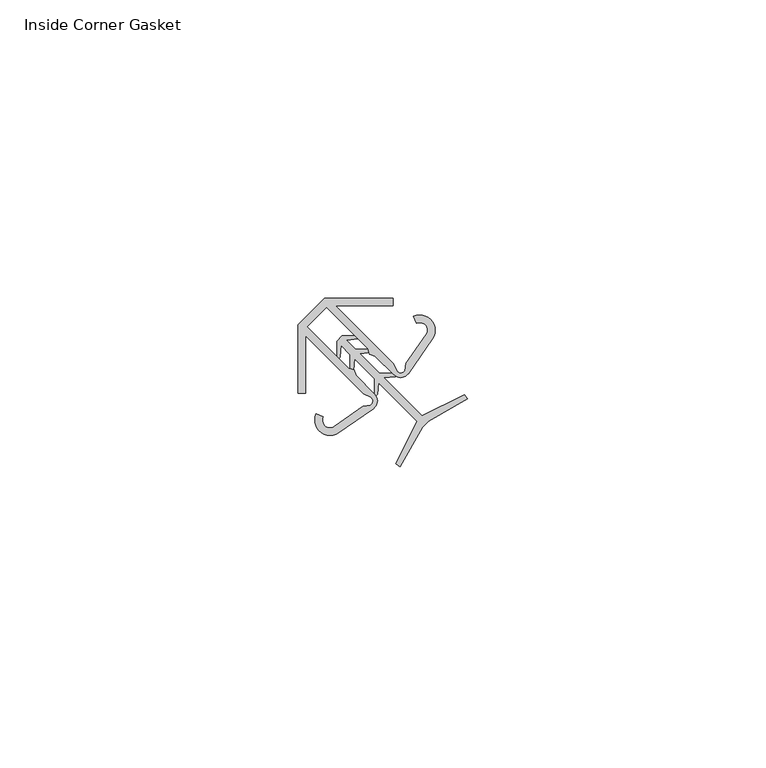
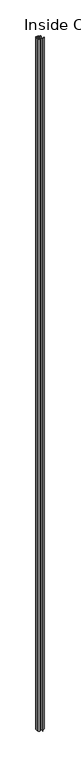
"""IFC4 building model written with IfcOpenShell, lengths in millimetres: furniture geometry, Inside Corner Gasket."""

from ifc_helpers import new_model, si_unit, point, frame_2d, origin, origin_with_axes, place, context, project, spatial, polyline, circle_curve, trimmed, segment, composite_curve, outline, extrude, source, transform, mapped, element, save


def inside_corner_gasket_a9b684a5(model_context):
    return source(origin(), model_context, "Body", "SweptSolid", [
        extrude(outline(composite_curve([segment(polyline([(-2.7813781, 15.4541762), (1.7087497, 19.944304), (13.1389976, 19.944304), (13.1389976, 18.6743041), (3.5175655, 18.6743041), (13.2821772, 8.9096921), (13.8093033, 7.6678607)]), True, "CONTINUOUS"), segment(trimmed(circle_curve(frame_2d((14.4381394, 8.2042713)), 0.8265416), [point((13.8093033, 7.6678607))], [point((15.1505687, 7.7852062))], True, "CARTESIAN"), True, "CONTINUOUS"), segment(polyline([(15.1505687, 7.7852062), (15.3672645, 8.9817893), (18.7393286, 13.8207015)]), True, "CONTINUOUS"), segment(trimmed(circle_curve(frame_2d((17.6821679, 14.5573989)), 1.2885309), [point((18.7393286, 13.8207015))], [point((17.1519386, 15.7317791))], True, "CARTESIAN"), True, "CONTINUOUS"), segment(polyline([(17.1519386, 15.7317791), (16.6219515, 16.8683401)]), True, "CONTINUOUS"), segment(trimmed(circle_curve(frame_2d((17.6892142, 14.5524897)), 2.5499436), [point((16.6219515, 16.8683401))], [point((19.7812868, 13.0945992))], False, "CARTESIAN"), True, "CONTINUOUS"), segment(polyline([(19.7812868, 13.0945992), (15.7401425, 7.2955581)]), True, "CONTINUOUS"), segment(trimmed(circle_curve(frame_2d((14.4376932, 8.2031884)), 1.5875034), [point((15.7401425, 7.2955581))], [point((13.3126393, 7.0831791))], False, "CARTESIAN"), True, "CONTINUOUS"), segment(polyline([(13.3126393, 7.0831791), (10.1742528, 10.2215653), (9.2016797, 10.4997805), (8.982757, 11.4130612), (1.9781572, 18.4176604), (-1.2547345, 15.1847687), (5.7498647, 8.1801689), (6.6631454, 7.9612462), (6.9413606, 6.9886731), (10.0797468, 3.8502866)]), True, "CONTINUOUS"), segment(trimmed(circle_curve(frame_2d((8.9597374, 2.7252327)), 1.5875034), [point((10.0797468, 3.8502866))], [point((9.8673678, 1.4227834))], False, "CARTESIAN"), True, "CONTINUOUS"), segment(polyline([(9.8673678, 1.4227834), (4.0683267, -2.6183609)]), True, "CONTINUOUS"), segment(trimmed(circle_curve(frame_2d((2.6104362, -0.5262883)), 2.5499436), [point((4.0683267, -2.6183609))], [point((0.2945858, 0.5409744))], False, "CARTESIAN"), True, "CONTINUOUS"), segment(polyline([(0.2945858, 0.5409744), (1.4311468, 0.0109873)]), True, "CONTINUOUS"), segment(trimmed(circle_curve(frame_2d((2.605527, -0.519242)), 1.2885309), [point((1.4311468, 0.0109873))], [point((3.3422244, -1.5764027))], True, "CARTESIAN"), True, "CONTINUOUS"), segment(polyline([(3.3422244, -1.5764027), (8.1811366, 1.7956614), (9.3777197, 2.0123572)]), True, "CONTINUOUS"), segment(trimmed(circle_curve(frame_2d((8.9586546, 2.7247865)), 0.8265416), [point((9.3777197, 2.0123572))], [point((9.4950652, 3.3536226))], True, "CARTESIAN"), True, "CONTINUOUS"), segment(polyline([(9.4950652, 3.3536226), (8.2532338, 3.8807487), (-1.5113782, 13.6453604), (-1.5113782, 4.0239283), (-2.7813781, 4.0239283), (-2.7813781, 15.4541762)]), True, "CONTINUOUS")], self_intersect=False)), origin_with_axes(), (0.0, 0.0, 1.0), 3048.0),
        extrude(outline(polyline([(3.7498336, 12.720021), (4.6478395, 13.6180275), (7.9140833, 13.6180178), (7.329021, 13.0912254), (5.3622712, 12.8992157), (6.8880193, 11.3734677), (10.152099, 11.373458), (9.5627556, 10.8428109), (7.6093801, 10.6521069), (10.9275919, 7.3338952), (14.1668667, 7.3338856), (13.573661, 6.7997608), (11.6495713, 6.611916), (18.0677877, 0.1936996), (25.1737882, 3.7313772), (25.6944827, 3.0403922), (19.1178122, -0.7099945), (18.0778556, -1.7499511), (14.3274688, -8.3266217), (13.6364838, -7.8059271), (17.1741615, -0.6999266), (10.7559451, 5.7182898), (10.5681003, 3.7942001), (10.0339754, 3.2009944), (10.0339658, 6.4402692), (6.7157541, 9.7584809), (6.5250502, 7.8051055), (5.994403, 7.2157621), (5.9943933, 10.4798418), (4.4686453, 12.0055898), (4.2766357, 10.03884), (3.7498432, 9.4537778), (3.7498336, 12.720021)])), origin_with_axes(), (0.0, 0.0, 1.0), 3048.0),
    ])


if __name__ == "__main__":
    model = new_model("IFC4")
    model_context = context("Model", 3, world=origin())
    ifc_project = project(units=[si_unit("LENGTHUNIT", "METRE", prefix="MILLI")], contexts=[model_context])
    site = spatial("IfcSite", under=ifc_project)
    building = spatial("IfcBuilding", under=site)
    placement = place(None, origin())
    inside_corner_gasket_shape = inside_corner_gasket_a9b684a5(model_context)
    element("IfcFurniture", 1, ObjectType="Inside Corner Gasket", at=placement, inside=building, context=model_context, shape_type="MappedRepresentation", body=[
        mapped(inside_corner_gasket_shape, transform((0.0, 0.0, 0.0), x_axis=(1.0, 0.0, 0.0), y_axis=(0.0, 1.0, 0.0), z_axis=(0.0, 0.0, 1.0))),
    ])
    save(model, "model.ifc")
